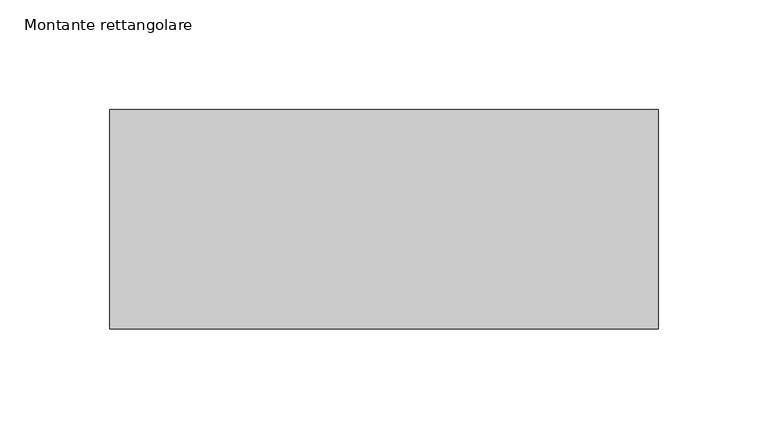
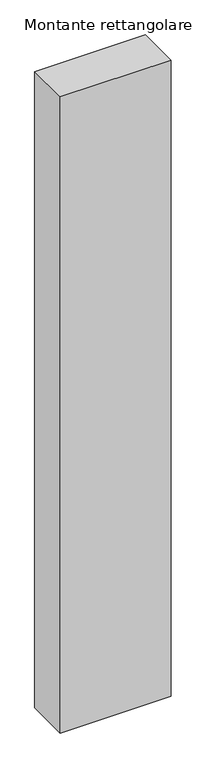
"""IFC4 building model written with IfcOpenShell, lengths in millimetres: member geometry, Montante rettangolare."""

from ifc_helpers import new_model, si_unit, frame, origin, place, context, project, spatial, polyline, outline, extrude, source, transform, mapped, element, save


def montante_rettangolare_bb63fcb1(model_context):
    return source(origin(), model_context, "Body", "SweptSolid", [
        extrude(outline(polyline([(125.0, 50.0), (125.0, -50.0), (-125.0, -50.0), (-125.0, 50.0), (125.0, 50.0)])), frame((0.0, 0.0, -1519.5764037), z_axis=(0.0, 0.0, 1.0), x_axis=(1.0, 0.0, 0.0)), (0.0, 0.0, 1.0), 1519.5764037),
    ])


if __name__ == "__main__":
    model = new_model("IFC4")
    model_context = context("Model", 3, world=origin())
    ifc_project = project(units=[si_unit("LENGTHUNIT", "METRE", prefix="MILLI")], contexts=[model_context])
    site = spatial("IfcSite", under=ifc_project)
    building = spatial("IfcBuilding", under=site)
    placement = place(None, origin())
    montante_rettangolare_shape = montante_rettangolare_bb63fcb1(model_context)
    element("IfcMember", 1, ObjectType="Montante rettangolare", at=placement, inside=building, context=model_context, shape_type="MappedRepresentation", body=[
        mapped(montante_rettangolare_shape, transform((0.0, 0.0, 0.0), x_axis=(1.0, 0.0, 0.0), y_axis=(0.0, 1.0, 0.0), z_axis=(0.0, 0.0, 1.0))),
    ])
    save(model, "model.ifc")
